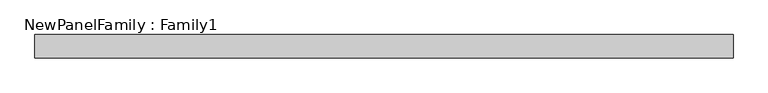
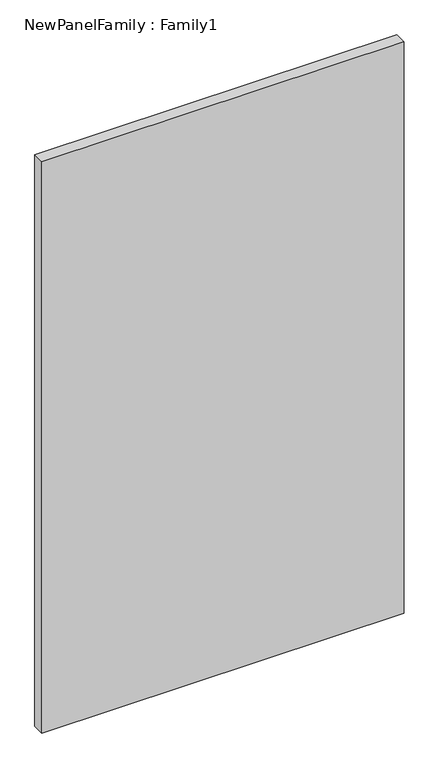
"""IFC4 building model written with IfcOpenShell, lengths in millimetres: proxy geometry, NewPanelFamily : Family1."""

from ifc_helpers import new_model, si_unit, origin, origin_with_axes, place, context, project, spatial, polyline, outline, extrude, source, transform, mapped, element, save


def newpanelfamily_family1_d0683fa5(model_context):
    return source(origin(), model_context, "Body", "SweptSolid", [
        extrude(outline(polyline([(750.0, 25.0), (750.0, -25.0), (-750.0, -25.0), (-750.0, 25.0), (750.0, 25.0)])), origin_with_axes(), (0.0, 0.0, 1.0), 2500.0),
    ])


if __name__ == "__main__":
    model = new_model("IFC4")
    model_context = context("Model", 3, world=origin())
    ifc_project = project(units=[si_unit("LENGTHUNIT", "METRE", prefix="MILLI")], contexts=[model_context])
    site = spatial("IfcSite", under=ifc_project)
    building = spatial("IfcBuilding", under=site)
    placement = place(None, origin())
    newpanelfamily_family1_shape = newpanelfamily_family1_d0683fa5(model_context)
    element("IfcBuildingElementProxy", 1, Name="NewPanelFamily : Family1", ObjectType="NewPanelFamily : Family1", at=placement, inside=building, context=model_context, shape_type="MappedRepresentation", body=[
        mapped(newpanelfamily_family1_shape, transform((0.0, 0.0, 0.0), x_axis=(1.0, 0.0, 0.0), y_axis=(0.0, 1.0, 0.0), z_axis=(0.0, 0.0, 1.0))),
    ])
    save(model, "model.ifc")
